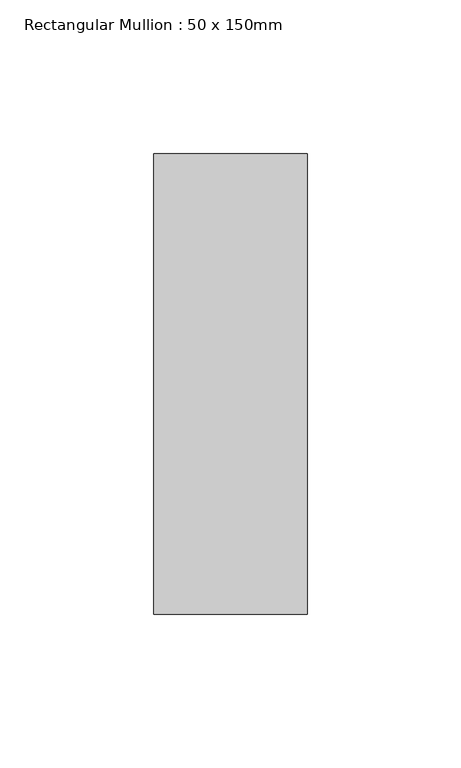
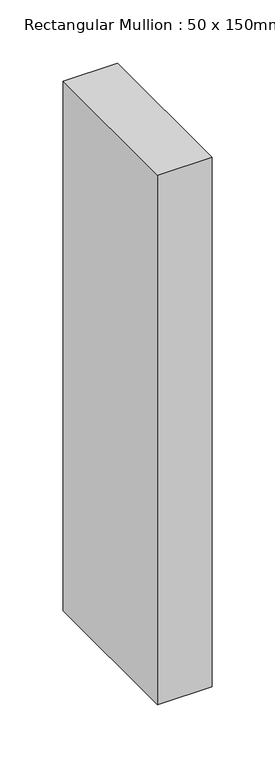
"""IFC4 building model written with IfcOpenShell, lengths in millimetres: member geometry, Rectangular Mullion : 50 x 150mm."""

from ifc_helpers import new_model, si_unit, frame, origin, place, context, project, spatial, polyline, outline, extrude, source, transform, mapped, element, save


def rectangular_mullion_50_x_150mm_817b869a(model_context):
    return source(origin(), model_context, "Body", "SweptSolid", [
        extrude(outline(polyline([(0.0, 75.0), (0.0, -75.0), (-50.0, -75.0), (-50.0, 75.0), (0.0, 75.0)])), frame((0.0, 0.0, -512.5333333), z_axis=(0.0, 0.0, 1.0), x_axis=(1.0, 0.0, 0.0)), (0.0, 0.0, 1.0), 512.5333333),
    ])


if __name__ == "__main__":
    model = new_model("IFC4")
    model_context = context("Model", 3, world=origin())
    ifc_project = project(units=[si_unit("LENGTHUNIT", "METRE", prefix="MILLI")], contexts=[model_context])
    site = spatial("IfcSite", under=ifc_project)
    building = spatial("IfcBuilding", under=site)
    placement = place(None, origin())
    rectangular_mullion_50_x_150mm_shape = rectangular_mullion_50_x_150mm_817b869a(model_context)
    element("IfcMember", 1, ObjectType="Rectangular Mullion : 50 x 150mm", at=placement, inside=building, context=model_context, shape_type="MappedRepresentation", body=[
        mapped(rectangular_mullion_50_x_150mm_shape, transform((0.0, 0.0, 0.0), x_axis=(1.0, 0.0, 0.0), y_axis=(0.0, 1.0, 0.0), z_axis=(0.0, 0.0, 1.0))),
    ])
    save(model, "model.ifc")
